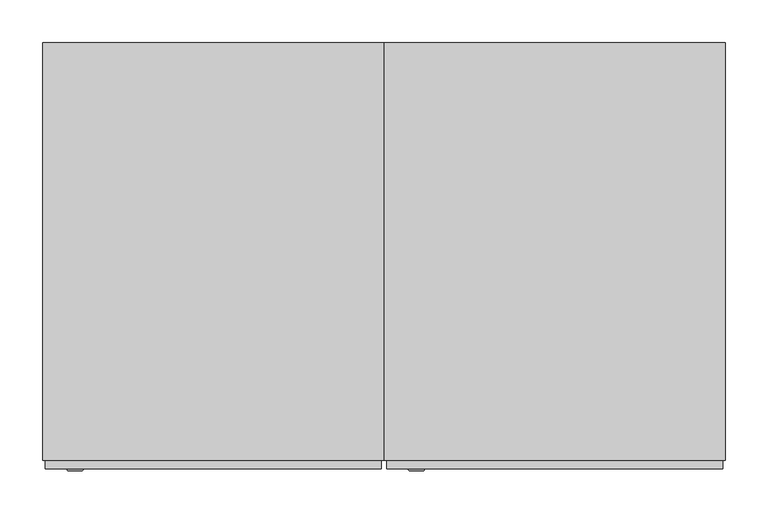
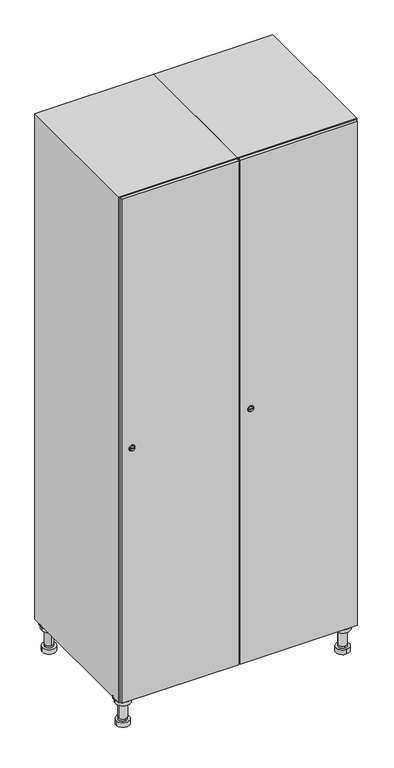
"""IFC4 building model written with IfcOpenShell, lengths in millimetres: furniture geometry."""

from ifc_helpers import new_model, si_unit, point, frame, frame_2d, origin, place, context, project, spatial, polyline, circle_curve, trimmed, segment, composite_curve, outline, extrude, faceted_brep, source, transform, mapped, element, save
from ifc_brep_helpers import plane_surface, cylinder_surface, revolved_surface, advanced_brep


def furniture_4a67ba51(model_context):
    return source(origin(), model_context, "Body", "SolidModel", [
        advanced_brep(
        [(570.0, -201.0, 22.0), (570.0, -201.5, 16.0), (570.0, -228.5, 16.0), (570.0, -229.0, 22.0), (556.0, -215.0, 22.0), (584.0, -215.0, 22.0), (570.0, -192.5, 16.0), (570.0, -237.5, 16.0), (570.0, -192.5, 0.0), (570.0, -237.5, 0.0), (584.0, -215.0, 78.0), (556.0, -215.0, 78.0), (595.0, -215.0, 78.0), (545.0, -215.0, 78.0), (600.0, -215.0, 94.0), (540.0, -215.0, 94.0), (545.0, -215.0, 94.0), (595.0, -215.0, 94.0), (600.0, -215.0, 100.0), (540.0, -215.0, 100.0)],
        [
            (0, 1),
            (1, 2, circle_curve(frame((570.0, -215.0, 16.0), z_axis=(0.0, 0.0, 1.0), x_axis=(0.0, -1.0, 0.0)), 13.5)),
            (2, 3),
            (3, 4, circle_curve(frame((570.0, -215.0, 22.0), z_axis=(0.0, 0.0, -1.0), x_axis=(0.0, -1.0, 0.0)), 14.0)),
            (4, 0, circle_curve(frame((570.0, -215.0, 22.0), z_axis=(0.0, 0.0, -1.0), x_axis=(0.0, -1.0, 0.0)), 14.0)),
            (0, 5, circle_curve(frame((570.0, -215.0, 22.0), z_axis=(0.0, 0.0, -1.0), x_axis=(0.0, 1.0, 0.0)), 14.0)),
            (5, 3, circle_curve(frame((570.0, -215.0, 22.0), z_axis=(0.0, 0.0, -1.0), x_axis=(0.0, 1.0, 0.0)), 14.0)),
            (2, 1, circle_curve(frame((570.0, -215.0, 16.0), z_axis=(0.0, 0.0, 1.0), x_axis=(0.0, 1.0, 0.0)), 13.5)),
            (6, 7, circle_curve(frame((570.0, -215.0, 16.0), z_axis=(0.0, 0.0, 1.0), x_axis=(0.0, -1.0, 0.0)), 22.5)),
            (7, 6, circle_curve(frame((570.0, -215.0, 16.0), z_axis=(0.0, 0.0, 1.0), x_axis=(0.0, -1.0, 0.0)), 22.5)),
            (8, 9, circle_curve(frame((570.0, -215.0, 0.0), z_axis=(0.0, 0.0, -1.0), x_axis=(0.0, -1.0, 0.0)), 22.5)),
            (9, 8, circle_curve(frame((570.0, -215.0, 0.0), z_axis=(0.0, 0.0, -1.0), x_axis=(0.0, -1.0, 0.0)), 22.5)),
            (6, 8),
            (9, 7),
            (5, 10),
            (10, 11, circle_curve(frame((570.0, -215.0, 78.0), z_axis=(0.0, 0.0, -1.0), x_axis=(-1.0, 0.0, 0.0)), 14.0)),
            (11, 4),
            (11, 10, circle_curve(frame((570.0, -215.0, 78.0), z_axis=(0.0, 0.0, -1.0), x_axis=(-1.0, 0.0, 0.0)), 14.0)),
            (12, 13, circle_curve(frame((570.0, -215.0, 78.0), z_axis=(0.0, 0.0, -1.0), x_axis=(-1.0, 0.0, 0.0)), 25.0)),
            (13, 12, circle_curve(frame((570.0, -215.0, 78.0), z_axis=(0.0, 0.0, -1.0), x_axis=(-1.0, 0.0, 0.0)), 25.0)),
            (14, 15, circle_curve(frame((570.0, -215.0, 94.0), z_axis=(0.0, 0.0, -1.0), x_axis=(-1.0, 0.0, 0.0)), 30.0)),
            (15, 14, circle_curve(frame((570.0, -215.0, 94.0), z_axis=(0.0, 0.0, -1.0), x_axis=(-1.0, 0.0, 0.0)), 30.0)),
            (16, 17, circle_curve(frame((570.0, -215.0, 94.0), z_axis=(0.0, 0.0, 1.0), x_axis=(-1.0, 0.0, 0.0)), 25.0)),
            (17, 16, circle_curve(frame((570.0, -215.0, 94.0), z_axis=(0.0, 0.0, 1.0), x_axis=(-1.0, 0.0, 0.0)), 25.0)),
            (18, 19, circle_curve(frame((570.0, -215.0, 100.0), z_axis=(0.0, 0.0, 1.0), x_axis=(-1.0, 0.0, 0.0)), 30.0)),
            (19, 18, circle_curve(frame((570.0, -215.0, 100.0), z_axis=(0.0, 0.0, 1.0), x_axis=(-1.0, 0.0, 0.0)), 30.0)),
            (14, 18),
            (19, 15),
            (12, 17),
            (16, 13),
        ],
        [
            revolved_surface(polyline([(570.0, -201.5, 16.0), (570.0, -201.0, 22.0)]), (570.0, -215.0, -146.0), (0.0, 0.0, 1.0)),
            plane_surface(frame((570.0, 0.0, 16.0), z_axis=(0.0, 0.0, 1.0), x_axis=(0.0, -1.0, 0.0))),
            plane_surface(frame((570.0, 0.0, 0.0), z_axis=(0.0, 0.0, -1.0), x_axis=(0.0, -1.0, 0.0))),
            cylinder_surface(frame((570.0, -215.0, 16.0), z_axis=(0.0, 0.0, 1.0), x_axis=(0.0, -1.0, 0.0)), 22.5),
            cylinder_surface(frame((570.0, -215.0, 22.0), z_axis=(0.0, 0.0, -1.0), x_axis=(-1.0, 0.0, 0.0)), 14.0),
            plane_surface(frame((570.0, 0.0, 78.0), z_axis=(0.0, 0.0, -1.0), x_axis=(0.0, -1.0, 0.0))),
            plane_surface(frame((570.0, 0.0, 94.0), z_axis=(0.0, 0.0, -1.0), x_axis=(0.0, -1.0, 0.0))),
            plane_surface(frame((570.0, 0.0, 100.0), z_axis=(0.0, 0.0, 1.0), x_axis=(0.0, -1.0, 0.0))),
            cylinder_surface(frame((570.0, -215.0, 94.0), z_axis=(0.0, 0.0, -1.0), x_axis=(-1.0, 0.0, 0.0)), 30.0),
            cylinder_surface(frame((570.0, -215.0, 78.0), z_axis=(0.0, 0.0, -1.0), x_axis=(-1.0, 0.0, 0.0)), 25.0),
        ],
        [
            (0, [[1, 2, 3, 4, 5]]),
            (0, [[-1, 6, 7, -3, 8]]),
            (1, [[9, 10], [-2, -8]]),
            (2, [[11, 12]]),
            (3, [[-9, 13, -12, 14]]),
            (3, [[-10, -14, -11, -13]]),
            (4, [[15, 16, 17, -4, -7]]),
            (4, [[-15, -6, -5, -17, 18]]),
            (5, [[19, 20], [-16, -18]]),
            (6, [[21, 22], [23, 24]]),
            (7, [[25, 26]]),
            (8, [[-21, 27, -26, 28]]),
            (8, [[-22, -28, -25, -27]]),
            (9, [[-19, 29, -23, 30]]),
            (9, [[-20, -30, -24, -29]]),
        ],
    ),
        advanced_brep(
        [(-170.0, -201.0, 22.0), (-170.0, -201.5, 16.0), (-170.0, -228.5, 16.0), (-170.0, -229.0, 22.0), (-184.0, -215.0, 22.0), (-156.0, -215.0, 22.0), (-147.5, -215.0, 0.0), (-192.5, -215.0, 0.0), (-147.5, -215.0, 16.0), (-192.5, -215.0, 16.0), (-156.0, -215.0, 78.0), (-184.0, -215.0, 78.0), (-145.0, -215.0, 78.0), (-195.0, -215.0, 78.0), (-140.0, -215.0, 94.0), (-200.0, -215.0, 94.0), (-195.0, -215.0, 94.0), (-145.0, -215.0, 94.0), (-140.0, -215.0, 100.0), (-200.0, -215.0, 100.0)],
        [
            (0, 1),
            (1, 2, circle_curve(frame((-170.0, -215.0, 16.0), z_axis=(0.0, 0.0, 1.0), x_axis=(0.0, -1.0, 0.0)), 13.5)),
            (2, 3),
            (3, 4, circle_curve(frame((-170.0, -215.0, 22.0), z_axis=(0.0, 0.0, -1.0), x_axis=(0.0, -1.0, 0.0)), 14.0)),
            (4, 0, circle_curve(frame((-170.0, -215.0, 22.0), z_axis=(0.0, 0.0, -1.0), x_axis=(0.0, -1.0, 0.0)), 14.0)),
            (0, 5, circle_curve(frame((-170.0, -215.0, 22.0), z_axis=(0.0, 0.0, -1.0), x_axis=(0.0, 1.0, 0.0)), 14.0)),
            (5, 3, circle_curve(frame((-170.0, -215.0, 22.0), z_axis=(0.0, 0.0, -1.0), x_axis=(0.0, 1.0, 0.0)), 14.0)),
            (2, 1, circle_curve(frame((-170.0, -215.0, 16.0), z_axis=(0.0, 0.0, 1.0), x_axis=(0.0, 1.0, 0.0)), 13.5)),
            (6, 7, circle_curve(frame((-170.0, -215.0, 0.0), z_axis=(0.0, 0.0, -1.0), x_axis=(-1.0, 0.0, 0.0)), 22.5)),
            (7, 6, circle_curve(frame((-170.0, -215.0, 0.0), z_axis=(0.0, 0.0, -1.0), x_axis=(-1.0, 0.0, 0.0)), 22.5)),
            (8, 9, circle_curve(frame((-170.0, -215.0, 16.0), z_axis=(0.0, 0.0, 1.0), x_axis=(-1.0, 0.0, 0.0)), 22.5)),
            (9, 8, circle_curve(frame((-170.0, -215.0, 16.0), z_axis=(0.0, 0.0, 1.0), x_axis=(-1.0, 0.0, 0.0)), 22.5)),
            (6, 8),
            (9, 7),
            (5, 10),
            (10, 11, circle_curve(frame((-170.0, -215.0, 78.0), z_axis=(0.0, 0.0, -1.0), x_axis=(-1.0, 0.0, 0.0)), 14.0)),
            (11, 4),
            (11, 10, circle_curve(frame((-170.0, -215.0, 78.0), z_axis=(0.0, 0.0, -1.0), x_axis=(-1.0, 0.0, 0.0)), 14.0)),
            (12, 13, circle_curve(frame((-170.0, -215.0, 78.0), z_axis=(0.0, 0.0, -1.0), x_axis=(-1.0, 0.0, 0.0)), 25.0)),
            (13, 12, circle_curve(frame((-170.0, -215.0, 78.0), z_axis=(0.0, 0.0, -1.0), x_axis=(-1.0, 0.0, 0.0)), 25.0)),
            (14, 15, circle_curve(frame((-170.0, -215.0, 94.0), z_axis=(0.0, 0.0, -1.0), x_axis=(-1.0, 0.0, 0.0)), 30.0)),
            (15, 14, circle_curve(frame((-170.0, -215.0, 94.0), z_axis=(0.0, 0.0, -1.0), x_axis=(-1.0, 0.0, 0.0)), 30.0)),
            (16, 17, circle_curve(frame((-170.0, -215.0, 94.0), z_axis=(0.0, 0.0, 1.0), x_axis=(-1.0, 0.0, 0.0)), 25.0)),
            (17, 16, circle_curve(frame((-170.0, -215.0, 94.0), z_axis=(0.0, 0.0, 1.0), x_axis=(-1.0, 0.0, 0.0)), 25.0)),
            (18, 19, circle_curve(frame((-170.0, -215.0, 100.0), z_axis=(0.0, 0.0, 1.0), x_axis=(-1.0, 0.0, 0.0)), 30.0)),
            (19, 18, circle_curve(frame((-170.0, -215.0, 100.0), z_axis=(0.0, 0.0, 1.0), x_axis=(-1.0, 0.0, 0.0)), 30.0)),
            (14, 18),
            (19, 15),
            (12, 17),
            (16, 13),
        ],
        [
            revolved_surface(polyline([(-170.0, -201.5, 16.0), (-170.0, -201.0, 22.0)]), (-170.0, -215.0, -146.0), (0.0, 0.0, 1.0)),
            plane_surface(frame((-170.0, 0.0, 0.0), z_axis=(0.0, 0.0, -1.0), x_axis=(0.0, -1.0, 0.0))),
            plane_surface(frame((-170.0, 0.0, 16.0), z_axis=(0.0, 0.0, 1.0), x_axis=(0.0, -1.0, 0.0))),
            cylinder_surface(frame((-170.0, -215.0, 0.0), z_axis=(0.0, 0.0, -1.0), x_axis=(-1.0, 0.0, 0.0)), 22.5),
            cylinder_surface(frame((-170.0, -215.0, 22.0), z_axis=(0.0, 0.0, -1.0), x_axis=(-1.0, 0.0, 0.0)), 14.0),
            plane_surface(frame((-170.0, 0.0, 78.0), z_axis=(0.0, 0.0, -1.0), x_axis=(0.0, -1.0, 0.0))),
            plane_surface(frame((-170.0, 0.0, 94.0), z_axis=(0.0, 0.0, -1.0), x_axis=(0.0, -1.0, 0.0))),
            plane_surface(frame((-170.0, 0.0, 100.0), z_axis=(0.0, 0.0, 1.0), x_axis=(0.0, -1.0, 0.0))),
            cylinder_surface(frame((-170.0, -215.0, 94.0), z_axis=(0.0, 0.0, -1.0), x_axis=(-1.0, 0.0, 0.0)), 30.0),
            cylinder_surface(frame((-170.0, -215.0, 78.0), z_axis=(0.0, 0.0, -1.0), x_axis=(-1.0, 0.0, 0.0)), 25.0),
        ],
        [
            (0, [[1, 2, 3, 4, 5]]),
            (0, [[-1, 6, 7, -3, 8]]),
            (1, [[9, 10]]),
            (2, [[11, 12], [-2, -8]]),
            (3, [[-9, 13, -12, 14]]),
            (3, [[-10, -14, -11, -13]]),
            (4, [[15, 16, 17, -4, -7]]),
            (4, [[-15, -6, -5, -17, 18]]),
            (5, [[19, 20], [-16, -18]]),
            (6, [[21, 22], [23, 24]]),
            (7, [[25, 26]]),
            (8, [[-21, 27, -26, 28]]),
            (8, [[-22, -28, -25, -27]]),
            (9, [[-19, 29, -23, 30]]),
            (9, [[-20, -30, -24, -29]]),
        ],
    ),
        advanced_brep(
        [(583.5, 215.0, 16.0), (584.0, 215.0, 22.0), (556.0, 215.0, 22.0), (556.5, 215.0, 16.0), (592.5, 215.0, 0.0), (547.5, 215.0, 0.0), (592.5, 215.0, 16.0), (547.5, 215.0, 16.0), (584.0, 215.0, 78.0), (556.0, 215.0, 78.0), (595.0, 215.0, 78.0), (545.0, 215.0, 78.0), (600.0, 215.0, 94.0), (540.0, 215.0, 94.0), (545.0, 215.0, 94.0), (595.0, 215.0, 94.0), (600.0, 215.0, 100.0), (540.0, 215.0, 100.0)],
        [
            (0, 1),
            (1, 2, circle_curve(frame((570.0, 215.0, 22.0), z_axis=(0.0, 0.0, -1.0), x_axis=(-1.0, 0.0, 0.0)), 14.0)),
            (2, 3),
            (3, 0, circle_curve(frame((570.0, 215.0, 16.0), z_axis=(0.0, 0.0, 1.0), x_axis=(-1.0, 0.0, 0.0)), 13.5)),
            (0, 3, circle_curve(frame((570.0, 215.0, 16.0), z_axis=(0.0, 0.0, 1.0), x_axis=(1.0, 0.0, 0.0)), 13.5)),
            (2, 1, circle_curve(frame((570.0, 215.0, 22.0), z_axis=(0.0, 0.0, -1.0), x_axis=(1.0, 0.0, 0.0)), 14.0)),
            (4, 5, circle_curve(frame((570.0, 215.0, 0.0), z_axis=(0.0, 0.0, -1.0), x_axis=(-1.0, 0.0, 0.0)), 22.5)),
            (5, 4, circle_curve(frame((570.0, 215.0, 0.0), z_axis=(0.0, 0.0, -1.0), x_axis=(-1.0, 0.0, 0.0)), 22.5)),
            (6, 7, circle_curve(frame((570.0, 215.0, 16.0), z_axis=(0.0, 0.0, 1.0), x_axis=(-1.0, 0.0, 0.0)), 22.5)),
            (7, 6, circle_curve(frame((570.0, 215.0, 16.0), z_axis=(0.0, 0.0, 1.0), x_axis=(-1.0, 0.0, 0.0)), 22.5)),
            (4, 6),
            (7, 5),
            (1, 8),
            (8, 9, circle_curve(frame((570.0, 215.0, 78.0), z_axis=(0.0, 0.0, -1.0), x_axis=(-1.0, 0.0, 0.0)), 14.0)),
            (9, 2),
            (9, 8, circle_curve(frame((570.0, 215.0, 78.0), z_axis=(0.0, 0.0, -1.0), x_axis=(-1.0, 0.0, 0.0)), 14.0)),
            (10, 11, circle_curve(frame((570.0, 215.0, 78.0), z_axis=(0.0, 0.0, -1.0), x_axis=(-1.0, 0.0, 0.0)), 25.0)),
            (11, 10, circle_curve(frame((570.0, 215.0, 78.0), z_axis=(0.0, 0.0, -1.0), x_axis=(-1.0, 0.0, 0.0)), 25.0)),
            (12, 13, circle_curve(frame((570.0, 215.0, 94.0), z_axis=(0.0, 0.0, -1.0), x_axis=(-1.0, 0.0, 0.0)), 30.0)),
            (13, 12, circle_curve(frame((570.0, 215.0, 94.0), z_axis=(0.0, 0.0, -1.0), x_axis=(-1.0, 0.0, 0.0)), 30.0)),
            (14, 15, circle_curve(frame((570.0, 215.0, 94.0), z_axis=(0.0, 0.0, 1.0), x_axis=(-1.0, 0.0, 0.0)), 25.0)),
            (15, 14, circle_curve(frame((570.0, 215.0, 94.0), z_axis=(0.0, 0.0, 1.0), x_axis=(-1.0, 0.0, 0.0)), 25.0)),
            (16, 17, circle_curve(frame((570.0, 215.0, 100.0), z_axis=(0.0, 0.0, 1.0), x_axis=(-1.0, 0.0, 0.0)), 30.0)),
            (17, 16, circle_curve(frame((570.0, 215.0, 100.0), z_axis=(0.0, 0.0, 1.0), x_axis=(-1.0, 0.0, 0.0)), 30.0)),
            (12, 16),
            (17, 13),
            (10, 15),
            (14, 11),
        ],
        [
            revolved_surface(polyline([(583.5, 215.0, 16.0), (584.0, 215.0, 22.0)]), (570.0, 215.0, -146.0), (0.0, 0.0, 1.0)),
            plane_surface(frame((570.0, 0.0, 0.0), z_axis=(0.0, 0.0, -1.0), x_axis=(0.0, -1.0, 0.0))),
            plane_surface(frame((570.0, 0.0, 16.0), z_axis=(0.0, 0.0, 1.0), x_axis=(0.0, -1.0, 0.0))),
            cylinder_surface(frame((570.0, 215.0, 0.0), z_axis=(0.0, 0.0, -1.0), x_axis=(-1.0, 0.0, 0.0)), 22.5),
            cylinder_surface(frame((570.0, 215.0, 22.0), z_axis=(0.0, 0.0, -1.0), x_axis=(-1.0, 0.0, 0.0)), 14.0),
            plane_surface(frame((570.0, 0.0, 78.0), z_axis=(0.0, 0.0, -1.0), x_axis=(0.0, -1.0, 0.0))),
            plane_surface(frame((570.0, 0.0, 94.0), z_axis=(0.0, 0.0, -1.0), x_axis=(0.0, -1.0, 0.0))),
            plane_surface(frame((570.0, 0.0, 100.0), z_axis=(0.0, 0.0, 1.0), x_axis=(0.0, -1.0, 0.0))),
            cylinder_surface(frame((570.0, 215.0, 94.0), z_axis=(0.0, 0.0, -1.0), x_axis=(-1.0, 0.0, 0.0)), 30.0),
            cylinder_surface(frame((570.0, 215.0, 78.0), z_axis=(0.0, 0.0, -1.0), x_axis=(-1.0, 0.0, 0.0)), 25.0),
        ],
        [
            (0, [[1, 2, 3, 4]]),
            (0, [[-1, 5, -3, 6]]),
            (1, [[7, 8]]),
            (2, [[9, 10], [-4, -5]]),
            (3, [[-7, 11, -10, 12]]),
            (3, [[-8, -12, -9, -11]]),
            (4, [[13, 14, 15, -2]]),
            (4, [[-13, -6, -15, 16]]),
            (5, [[17, 18], [-14, -16]]),
            (6, [[19, 20], [21, 22]]),
            (7, [[23, 24]]),
            (8, [[-19, 25, -24, 26]]),
            (8, [[-20, -26, -23, -25]]),
            (9, [[-17, 27, -21, 28]]),
            (9, [[-18, -28, -22, -27]]),
        ],
    ),
        advanced_brep(
        [(-156.5, 215.0, 16.0), (-156.0, 215.0, 22.0), (-170.0, 201.0, 22.0), (-184.0, 215.0, 22.0), (-183.5, 215.0, 16.0), (-170.0, 229.0, 22.0), (-147.5, 215.0, 0.0), (-192.5, 215.0, 0.0), (-147.5, 215.0, 16.0), (-192.5, 215.0, 16.0), (-170.0, 229.0, 78.0), (-170.0, 201.0, 78.0), (-145.0, 215.0, 78.0), (-195.0, 215.0, 78.0), (-140.0, 215.0, 94.0), (-200.0, 215.0, 94.0), (-195.0, 215.0, 94.0), (-145.0, 215.0, 94.0), (-140.0, 215.0, 100.0), (-200.0, 215.0, 100.0)],
        [
            (0, 1),
            (1, 2, circle_curve(frame((-170.0, 215.0, 22.0), z_axis=(0.0, 0.0, -1.0), x_axis=(-1.0, 0.0, 0.0)), 14.0)),
            (2, 3, circle_curve(frame((-170.0, 215.0, 22.0), z_axis=(0.0, 0.0, -1.0), x_axis=(-1.0, 0.0, 0.0)), 14.0)),
            (3, 4),
            (4, 0, circle_curve(frame((-170.0, 215.0, 16.0), z_axis=(0.0, 0.0, 1.0), x_axis=(-1.0, 0.0, 0.0)), 13.5)),
            (0, 4, circle_curve(frame((-170.0, 215.0, 16.0), z_axis=(0.0, 0.0, 1.0), x_axis=(1.0, 0.0, 0.0)), 13.5)),
            (3, 5, circle_curve(frame((-170.0, 215.0, 22.0), z_axis=(0.0, 0.0, -1.0), x_axis=(1.0, 0.0, 0.0)), 14.0)),
            (5, 1, circle_curve(frame((-170.0, 215.0, 22.0), z_axis=(0.0, 0.0, -1.0), x_axis=(1.0, 0.0, 0.0)), 14.0)),
            (6, 7, circle_curve(frame((-170.0, 215.0, 0.0), z_axis=(0.0, 0.0, -1.0), x_axis=(-1.0, 0.0, 0.0)), 22.5)),
            (7, 6, circle_curve(frame((-170.0, 215.0, 0.0), z_axis=(0.0, 0.0, -1.0), x_axis=(-1.0, 0.0, 0.0)), 22.5)),
            (8, 9, circle_curve(frame((-170.0, 215.0, 16.0), z_axis=(0.0, 0.0, 1.0), x_axis=(-1.0, 0.0, 0.0)), 22.5)),
            (9, 8, circle_curve(frame((-170.0, 215.0, 16.0), z_axis=(0.0, 0.0, 1.0), x_axis=(-1.0, 0.0, 0.0)), 22.5)),
            (6, 8),
            (9, 7),
            (10, 5),
            (2, 11),
            (11, 10, circle_curve(frame((-170.0, 215.0, 78.0), z_axis=(0.0, 0.0, -1.0), x_axis=(0.0, -1.0, 0.0)), 14.0)),
            (10, 11, circle_curve(frame((-170.0, 215.0, 78.0), z_axis=(0.0, 0.0, -1.0), x_axis=(0.0, -1.0, 0.0)), 14.0)),
            (12, 13, circle_curve(frame((-170.0, 215.0, 78.0), z_axis=(0.0, 0.0, -1.0), x_axis=(-1.0, 0.0, 0.0)), 25.0)),
            (13, 12, circle_curve(frame((-170.0, 215.0, 78.0), z_axis=(0.0, 0.0, -1.0), x_axis=(-1.0, 0.0, 0.0)), 25.0)),
            (14, 15, circle_curve(frame((-170.0, 215.0, 94.0), z_axis=(0.0, 0.0, -1.0), x_axis=(-1.0, 0.0, 0.0)), 30.0)),
            (15, 14, circle_curve(frame((-170.0, 215.0, 94.0), z_axis=(0.0, 0.0, -1.0), x_axis=(-1.0, 0.0, 0.0)), 30.0)),
            (16, 17, circle_curve(frame((-170.0, 215.0, 94.0), z_axis=(0.0, 0.0, 1.0), x_axis=(-1.0, 0.0, 0.0)), 25.0)),
            (17, 16, circle_curve(frame((-170.0, 215.0, 94.0), z_axis=(0.0, 0.0, 1.0), x_axis=(-1.0, 0.0, 0.0)), 25.0)),
            (18, 19, circle_curve(frame((-170.0, 215.0, 100.0), z_axis=(0.0, 0.0, 1.0), x_axis=(-1.0, 0.0, 0.0)), 30.0)),
            (19, 18, circle_curve(frame((-170.0, 215.0, 100.0), z_axis=(0.0, 0.0, 1.0), x_axis=(-1.0, 0.0, 0.0)), 30.0)),
            (14, 18),
            (19, 15),
            (12, 17),
            (16, 13),
        ],
        [
            revolved_surface(polyline([(-156.5, 215.0, 16.0), (-156.0, 215.0, 22.0)]), (-170.0, 215.0, -146.0), (0.0, 0.0, 1.0)),
            plane_surface(frame((-170.0, 0.0, 0.0), z_axis=(0.0, 0.0, -1.0), x_axis=(0.0, -1.0, 0.0))),
            plane_surface(frame((-170.0, 0.0, 16.0), z_axis=(0.0, 0.0, 1.0), x_axis=(0.0, -1.0, 0.0))),
            cylinder_surface(frame((-170.0, 215.0, 0.0), z_axis=(0.0, 0.0, -1.0), x_axis=(-1.0, 0.0, 0.0)), 22.5),
            cylinder_surface(frame((-170.0, 215.0, 78.0), z_axis=(0.0, 0.0, 1.0), x_axis=(0.0, -1.0, 0.0)), 14.0),
            plane_surface(frame((-170.0, 0.0, 78.0), z_axis=(0.0, 0.0, -1.0), x_axis=(0.0, -1.0, 0.0))),
            plane_surface(frame((-170.0, 0.0, 94.0), z_axis=(0.0, 0.0, -1.0), x_axis=(0.0, -1.0, 0.0))),
            plane_surface(frame((-170.0, 0.0, 100.0), z_axis=(0.0, 0.0, 1.0), x_axis=(0.0, -1.0, 0.0))),
            cylinder_surface(frame((-170.0, 215.0, 94.0), z_axis=(0.0, 0.0, -1.0), x_axis=(-1.0, 0.0, 0.0)), 30.0),
            cylinder_surface(frame((-170.0, 215.0, 78.0), z_axis=(0.0, 0.0, -1.0), x_axis=(-1.0, 0.0, 0.0)), 25.0),
        ],
        [
            (0, [[1, 2, 3, 4, 5]]),
            (0, [[-1, 6, -4, 7, 8]]),
            (1, [[9, 10]]),
            (2, [[11, 12], [-5, -6]]),
            (3, [[-9, 13, -12, 14]]),
            (3, [[-10, -14, -11, -13]]),
            (4, [[15, -7, -3, 16, 17]]),
            (4, [[-15, 18, -16, -2, -8]]),
            (5, [[19, 20], [-17, -18]]),
            (6, [[21, 22], [23, 24]]),
            (7, [[25, 26]]),
            (8, [[-21, 27, -26, 28]]),
            (8, [[-22, -28, -25, -27]]),
            (9, [[-19, 29, -23, 30]]),
            (9, [[-20, -30, -24, -29]]),
        ],
    ),
        extrude(outline(composite_curve([segment(trimmed(circle_curve(frame_2d((1000.0, 211.2010534)), 7.0), [point((1007.0, 211.2010534))], [point((993.0, 211.2010534))], False, "CARTESIAN"), True, "CONTINUOUS"), segment(polyline([(993.0, 211.2010534), (993.0, 239.2010534)]), True, "CONTINUOUS"), segment(trimmed(circle_curve(frame_2d((1000.0, 239.2010534)), 7.0), [point((993.0, 239.2010534))], [point((1007.0, 239.2010534))], False, "CARTESIAN"), True, "CONTINUOUS"), segment(polyline([(1007.0, 239.2010534), (1007.0, 211.2010534)]), True, "CONTINUOUS")], self_intersect=False)), frame((0.0, -245.0, 0.0), z_axis=(0.0, 1.0, 0.0), x_axis=(0.0, 0.0, 1.0)), (0.0, 0.0, 1.0), 2.0),
        advanced_brep(
        [(246.5, -257.2, 1000.0), (229.5, -257.2, 1000.0), (233.0, -257.2, 998.75), (233.0, -257.2, 1001.25), (243.0, -257.2, 1001.25), (243.0, -257.2, 998.75), (248.5, -255.0, 1000.0), (227.5, -255.0, 1000.0), (233.0, -255.0, 1001.25), (233.0, -255.0, 998.75), (243.0, -255.0, 998.75), (243.0, -255.0, 1001.25)],
        [
            (0, 1, circle_curve(frame((238.0, -257.2, 1000.0), z_axis=(0.0, -1.0, 0.0), x_axis=(1.0, 0.0, 0.0)), 8.5)),
            (1, 0, circle_curve(frame((238.0, -257.2, 1000.0), z_axis=(0.0, -1.0, 0.0), x_axis=(-1.0, 0.0, 0.0)), 8.5)),
            (2, 3),
            (3, 4),
            (4, 5),
            (5, 2),
            (6, 7, circle_curve(frame((238.0, -255.0, 1000.0), z_axis=(0.0, 1.0, 0.0), x_axis=(-1.0, 0.0, 0.0)), 10.5)),
            (7, 6, circle_curve(frame((238.0, -255.0, 1000.0), z_axis=(0.0, 1.0, 0.0), x_axis=(1.0, 0.0, 0.0)), 10.5)),
            (8, 9),
            (9, 10),
            (10, 11),
            (11, 8),
            (0, 6),
            (7, 1),
            (8, 3),
            (2, 9),
            (11, 4),
            (10, 5),
        ],
        [
            plane_surface(frame((238.0, -257.2, 1000.0), z_axis=(0.0, -1.0, 0.0), x_axis=(0.0, 0.0, 1.0))),
            plane_surface(frame((238.0, -255.0, 1000.0), z_axis=(0.0, 1.0, 0.0), x_axis=(0.0, 0.0, 1.0))),
            revolved_surface(polyline([(246.5, -257.2, 1000.0), (248.5, -255.0, 1000.0)]), (238.0, -266.55, 1000.0), (0.0, 1.0, 0.0)),
            revolved_surface(polyline([(229.5, -257.2, 1000.0), (227.5, -255.0, 1000.0)]), (238.0, -266.55, 1000.0), (0.0, 1.0, 0.0)),
            plane_surface(frame((233.0, -255.0, 998.75), z_axis=(1.0, 0.0, 0.0), x_axis=(0.0, -1.0, 0.0))),
            plane_surface(frame((233.0, -255.0, 1001.25), z_axis=(0.0, 0.0, -1.0), x_axis=(0.0, -1.0, 0.0))),
            plane_surface(frame((243.0, -255.0, 1001.25), z_axis=(-1.0, 0.0, 0.0), x_axis=(0.0, -1.0, 0.0))),
            plane_surface(frame((243.0, -255.0, 998.75), z_axis=(0.0, 0.0, 1.0), x_axis=(0.0, -1.0, 0.0))),
        ],
        [
            (0, [[1, 2], [3, 4, 5, 6]]),
            (1, [[7, 8], [9, 10, 11, 12]]),
            (2, [[-1, 13, -8, 14]]),
            (3, [[-2, -14, -7, -13]]),
            (4, [[15, -3, 16, -9]]),
            (5, [[-15, -12, 17, -4]]),
            (6, [[-17, -11, 18, -5]]),
            (7, [[-16, -6, -18, -10]]),
        ],
    ),
        extrude(outline(polyline([(597.0, -245.0), (597.0, -255.0), (203.0, -255.0), (203.0, -245.0), (597.0, -245.0)])), frame((0.0, 0.0, 103.0), z_axis=(0.0, 0.0, 1.0), x_axis=(1.0, 0.0, 0.0)), (0.0, 0.0, 1.0), 1794.0),
        faceted_brep([(600.0, -245.0, 100.0), (600.0, -245.0, 1900.0), (200.0, -245.0, 1900.0), (200.0, -245.0, 100.0), (590.0, -245.0, 1890.0), (590.0, -245.0, 110.0), (210.0, -245.0, 110.0), (210.0, -245.0, 1890.0), (600.0, 245.0, 100.0), (200.0, 245.0, 100.0), (600.0, 245.0, 1900.0), (200.0, 245.0, 1900.0), (590.0, 241.0, 1890.0), (590.0, 241.0, 110.0), (200.0, 245.0, 1890.0), (210.0, 241.0, 1890.0), (210.0, 241.0, 110.0)], [[[0, 1, 2, 3], [4, 5, 6, 7]], [[8, 0, 3, 9]], [[1, 0, 8, 10]], [[1, 10, 11, 2]], [[4, 12, 13, 5]], [[9, 3, 2, 11, 14]], [[10, 8, 9, 14, 11]], [[12, 15, 16, 13]], [[15, 7, 6, 16]], [[4, 7, 15, 12]], [[6, 5, 13, 16]]]),
        extrude(outline(composite_curve([segment(trimmed(circle_curve(frame_2d((1000.0, -188.7989466)), 7.0), [point((1007.0, -188.7989466))], [point((993.0, -188.7989466))], False, "CARTESIAN"), True, "CONTINUOUS"), segment(polyline([(993.0, -188.7989466), (993.0, -160.7989466)]), True, "CONTINUOUS"), segment(trimmed(circle_curve(frame_2d((1000.0, -160.7989466)), 7.0), [point((993.0, -160.7989466))], [point((1007.0, -160.7989466))], False, "CARTESIAN"), True, "CONTINUOUS"), segment(polyline([(1007.0, -160.7989466), (1007.0, -188.7989466)]), True, "CONTINUOUS")], self_intersect=False)), frame((0.0, -245.0, 0.0), z_axis=(0.0, 1.0, 0.0), x_axis=(0.0, 0.0, 1.0)), (0.0, 0.0, 1.0), 2.0),
        advanced_brep(
        [(-153.5, -257.2, 1000.0), (-170.5, -257.2, 1000.0), (-167.0, -257.2, 998.75), (-167.0, -257.2, 1001.25), (-157.0, -257.2, 1001.25), (-157.0, -257.2, 998.75), (-151.5, -255.0, 1000.0), (-172.5, -255.0, 1000.0), (-167.0, -255.0, 1001.25), (-167.0, -255.0, 998.75), (-157.0, -255.0, 998.75), (-157.0, -255.0, 1001.25)],
        [
            (0, 1, circle_curve(frame((-162.0, -257.2, 1000.0), z_axis=(0.0, -1.0, 0.0), x_axis=(1.0, 0.0, 0.0)), 8.5)),
            (1, 0, circle_curve(frame((-162.0, -257.2, 1000.0), z_axis=(0.0, -1.0, 0.0), x_axis=(-1.0, 0.0, 0.0)), 8.5)),
            (2, 3),
            (3, 4),
            (4, 5),
            (5, 2),
            (6, 7, circle_curve(frame((-162.0, -255.0, 1000.0), z_axis=(0.0, 1.0, 0.0), x_axis=(-1.0, 0.0, 0.0)), 10.5)),
            (7, 6, circle_curve(frame((-162.0, -255.0, 1000.0), z_axis=(0.0, 1.0, 0.0), x_axis=(1.0, 0.0, 0.0)), 10.5)),
            (8, 9),
            (9, 10),
            (10, 11),
            (11, 8),
            (0, 6),
            (7, 1),
            (8, 3),
            (2, 9),
            (11, 4),
            (10, 5),
        ],
        [
            plane_surface(frame((-162.0, -257.2, 1000.0), z_axis=(0.0, -1.0, 0.0), x_axis=(0.0, 0.0, 1.0))),
            plane_surface(frame((-162.0, -255.0, 1000.0), z_axis=(0.0, 1.0, 0.0), x_axis=(0.0, 0.0, 1.0))),
            revolved_surface(polyline([(-153.5, -257.2, 1000.0), (-151.5, -255.0, 1000.0)]), (-162.0, -266.55, 1000.0), (0.0, 1.0, 0.0)),
            revolved_surface(polyline([(-170.5, -257.2, 1000.0), (-172.5, -255.0, 1000.0)]), (-162.0, -266.55, 1000.0), (0.0, 1.0, 0.0)),
            plane_surface(frame((-167.0, -255.0, 998.75), z_axis=(1.0, 0.0, 0.0), x_axis=(0.0, -1.0, 0.0))),
            plane_surface(frame((-167.0, -255.0, 1001.25), z_axis=(0.0, 0.0, -1.0), x_axis=(0.0, -1.0, 0.0))),
            plane_surface(frame((-157.0, -255.0, 1001.25), z_axis=(-1.0, 0.0, 0.0), x_axis=(0.0, -1.0, 0.0))),
            plane_surface(frame((-157.0, -255.0, 998.75), z_axis=(0.0, 0.0, 1.0), x_axis=(0.0, -1.0, 0.0))),
        ],
        [
            (0, [[1, 2], [3, 4, 5, 6]]),
            (1, [[7, 8], [9, 10, 11, 12]]),
            (2, [[-1, 13, -8, 14]]),
            (3, [[-2, -14, -7, -13]]),
            (4, [[15, -3, 16, -9]]),
            (5, [[-15, -12, 17, -4]]),
            (6, [[-17, -11, 18, -5]]),
            (7, [[-16, -6, -18, -10]]),
        ],
    ),
        extrude(outline(polyline([(197.0, -245.0), (197.0, -255.0), (-197.0, -255.0), (-197.0, -245.0), (197.0, -245.0)])), frame((0.0, 0.0, 103.0), z_axis=(0.0, 0.0, 1.0), x_axis=(1.0, 0.0, 0.0)), (0.0, 0.0, 1.0), 1794.0),
        faceted_brep([(200.0, -245.0, 100.0), (200.0, -245.0, 1900.0), (-200.0, -245.0, 1900.0), (-200.0, -245.0, 100.0), (190.0, -245.0, 1890.0), (190.0, -245.0, 110.0), (-190.0, -245.0, 110.0), (-190.0, -245.0, 1890.0), (200.0, 245.0, 100.0), (-200.0, 245.0, 100.0), (200.0, 245.0, 1900.0), (-200.0, 245.0, 1900.0), (190.0, 241.0, 1890.0), (190.0, 241.0, 110.0), (-200.0, 245.0, 1890.0), (-190.0, 241.0, 1890.0), (-190.0, 241.0, 110.0)], [[[0, 1, 2, 3], [4, 5, 6, 7]], [[8, 0, 3, 9]], [[1, 0, 8, 10]], [[1, 10, 11, 2]], [[4, 12, 13, 5]], [[9, 3, 2, 11, 14]], [[10, 8, 9, 14, 11]], [[12, 15, 16, 13]], [[15, 7, 6, 16]], [[4, 7, 15, 12]], [[6, 5, 13, 16]]]),
    ])


if __name__ == "__main__":
    model = new_model("IFC4")
    model_context = context("Model", 3, world=origin())
    ifc_project = project(units=[si_unit("LENGTHUNIT", "METRE", prefix="MILLI")], contexts=[model_context])
    site = spatial("IfcSite", under=ifc_project)
    building = spatial("IfcBuilding", under=site)
    placement = place(None, origin())
    furniture_shape = furniture_4a67ba51(model_context)
    element("IfcFurniture", 1, at=placement, inside=building, context=model_context, shape_type="MappedRepresentation", body=[
        mapped(furniture_shape, transform((0.0, 0.0, 0.0), x_axis=(1.0, 0.0, 0.0), y_axis=(0.0, 1.0, 0.0), z_axis=(0.0, 0.0, 1.0))),
    ])
    save(model, "model.ifc")
